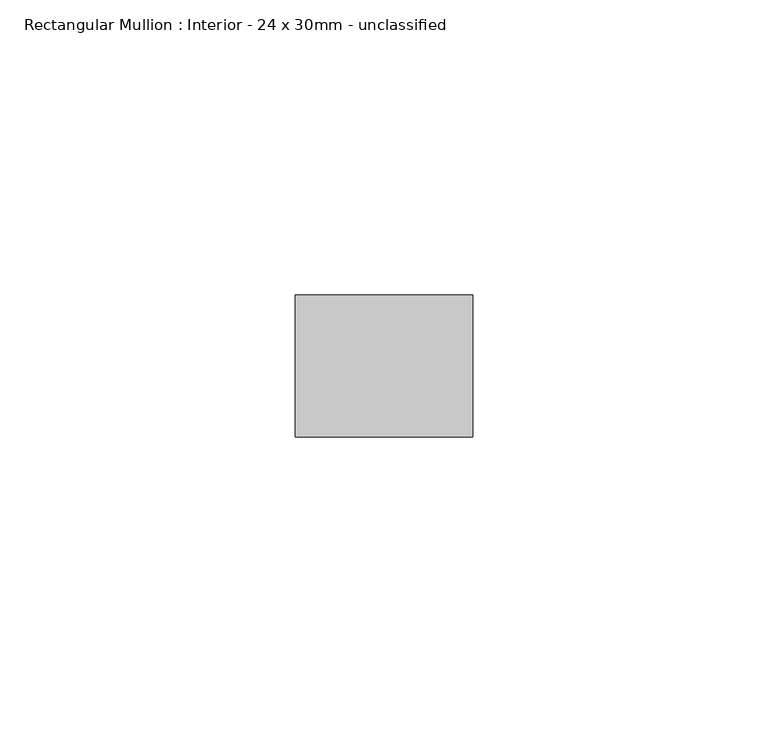
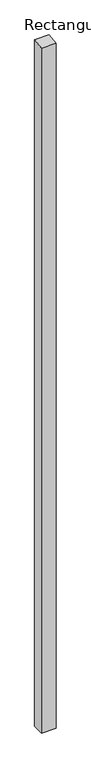
"""IFC4 building model written with IfcOpenShell, lengths in millimetres: member geometry, Rectangular Mullion : Interior - 24 x 30mm - unclassified."""

from ifc_helpers import new_model, si_unit, frame, origin, place, context, project, spatial, polyline, outline, extrude, source, transform, mapped, element, save


def rectangular_mullion_interior_24_x_30mm_unclassified_9f3f0c15(model_context):
    return source(origin(), model_context, "Body", "SweptSolid", [
        extrude(outline(polyline([(-12.0, -1.8392319), (12.0, 1.8392319), (12.0, -1500.0000049), (-12.0, -1500.0000049), (-12.0, -1.8392319)])), frame((-30.0, 0.0, 0.0), z_axis=(1.0, 0.0, 0.0), x_axis=(0.0, 1.0, 0.0)), (0.0, 0.0, 1.0), 30.0),
    ])


if __name__ == "__main__":
    model = new_model("IFC4")
    model_context = context("Model", 3, world=origin())
    ifc_project = project(units=[si_unit("LENGTHUNIT", "METRE", prefix="MILLI")], contexts=[model_context])
    site = spatial("IfcSite", under=ifc_project)
    building = spatial("IfcBuilding", under=site)
    placement = place(None, origin())
    rectangular_mullion_interior_24_x_30mm_unclassified_shape = rectangular_mullion_interior_24_x_30mm_unclassified_9f3f0c15(model_context)
    element("IfcMember", 1, ObjectType="Rectangular Mullion : Interior - 24 x 30mm - unclassified", at=placement, inside=building, context=model_context, shape_type="MappedRepresentation", body=[
        mapped(rectangular_mullion_interior_24_x_30mm_unclassified_shape, transform((0.0, 0.0, 0.0), x_axis=(1.0, 0.0, 0.0), y_axis=(0.0, 1.0, 0.0), z_axis=(0.0, 0.0, 1.0))),
    ])
    save(model, "model.ifc")
